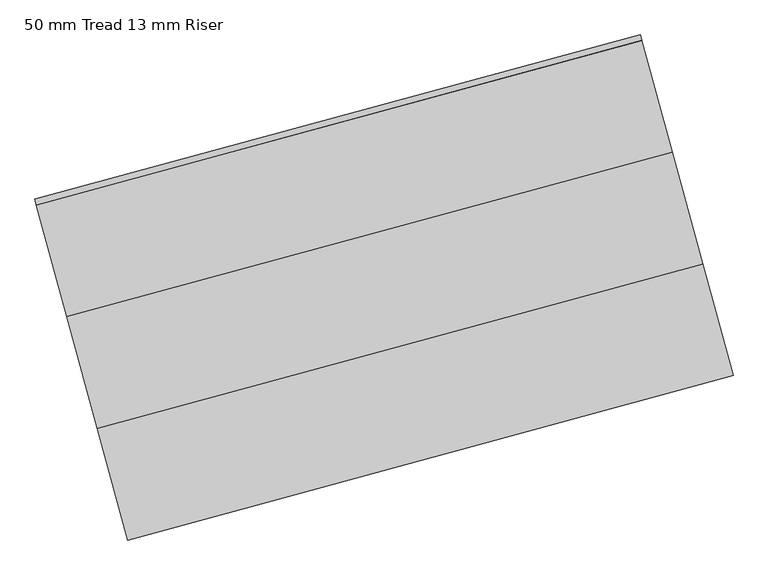
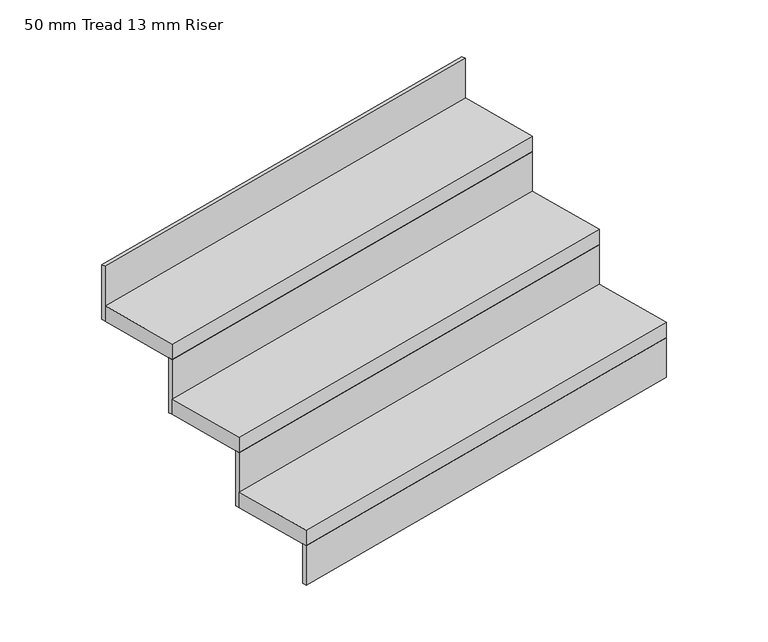
"""IFC4 building model written with IfcOpenShell, lengths in millimetres: stair flight geometry, 50 mm Tread 13 mm Riser."""

from ifc_helpers import new_model, si_unit, frame, origin, origin_with_axes, place, context, project, spatial, polyline, outline, extrude, source, transform, mapped, element, save


def stair_flight_50_mm_tread_13_mm_riser_c301b300(model_context):
    return source(origin(), model_context, "Body", "SweptSolid", [
        extrude(outline(polyline([(265249.7245309, -56427.0263043), (265253.0031414, -56439.0886719), (263946.5587509, -56794.1866403), (263943.2801404, -56782.1242727), (265249.7245309, -56427.0263043)])), origin_with_axes(), (0.0, 0.0, 1.0), 127.7777778),
        extrude(outline(polyline([(263880.9865416, -56552.9392872), (265187.4309321, -56197.8413189), (265253.0031414, -56439.0886719), (263946.5587509, -56794.1866403), (263880.9865416, -56552.9392872)])), frame((0.0, 0.0, 127.7777778), z_axis=(0.0, 0.0, 1.0), x_axis=(1.0, 0.0, 0.0)), (0.0, 0.0, 1.0), 50.0),
        extrude(outline(polyline([(265184.1523216, -56185.7789512), (265187.4309321, -56197.8413189), (263880.9865416, -56552.9392872), (263877.7079312, -56540.8769196), (265184.1523216, -56185.7789512)])), frame((0.0, 0.0, 127.7777778), z_axis=(0.0, 0.0, 1.0), x_axis=(1.0, 0.0, 0.0)), (0.0, 0.0, 1.0), 177.7777778),
        extrude(outline(polyline([(263815.4143324, -56311.6919341), (265121.8587228, -55956.5939658), (265187.4309321, -56197.8413189), (263880.9865416, -56552.9392872), (263815.4143324, -56311.6919341)])), frame((0.0, 0.0, 305.5555556), z_axis=(0.0, 0.0, 1.0), x_axis=(1.0, 0.0, 0.0)), (0.0, 0.0, 1.0), 50.0),
        extrude(outline(polyline([(265118.5801124, -55944.5315981), (265121.8587228, -55956.5939658), (263815.4143324, -56311.6919341), (263812.1357219, -56299.6295665), (265118.5801124, -55944.5315981)])), frame((0.0, 0.0, 305.5555556), z_axis=(0.0, 0.0, 1.0), x_axis=(1.0, 0.0, 0.0)), (0.0, 0.0, 1.0), 177.7777778),
        extrude(outline(polyline([(265053.0079031, -55703.284245), (265056.2865136, -55715.3466127), (263749.8421231, -56070.444581), (263746.5635127, -56058.3822134), (265053.0079031, -55703.284245)])), frame((0.0, 0.0, 483.3333333), z_axis=(0.0, 0.0, 1.0), x_axis=(1.0, 0.0, 0.0)), (0.0, 0.0, 1.0), 177.7777778),
        extrude(outline(polyline([(263749.8421231, -56070.444581), (265056.2865136, -55715.3466127), (265121.8587228, -55956.5939658), (263815.4143324, -56311.6919341), (263749.8421231, -56070.444581)])), frame((0.0, 0.0, 483.3333333), z_axis=(0.0, 0.0, 1.0), x_axis=(1.0, 0.0, 0.0)), (0.0, 0.0, 1.0), 50.0),
    ])


if __name__ == "__main__":
    model = new_model("IFC4")
    model_context = context("Model", 3, world=origin())
    ifc_project = project(units=[si_unit("LENGTHUNIT", "METRE", prefix="MILLI")], contexts=[model_context])
    site = spatial("IfcSite", under=ifc_project)
    building = spatial("IfcBuilding", under=site)
    placement = place(None, origin())
    stair_flight_50_mm_tread_13_mm_riser_shape = stair_flight_50_mm_tread_13_mm_riser_c301b300(model_context)
    element("IfcStairFlight", 1, ObjectType="50 mm Tread 13 mm Riser", at=placement, inside=building, context=model_context, shape_type="MappedRepresentation", body=[
        mapped(stair_flight_50_mm_tread_13_mm_riser_shape, transform((0.0, 0.0, 0.0), x_axis=(1.0, 0.0, 0.0), y_axis=(0.0, 1.0, 0.0), z_axis=(0.0, 0.0, 1.0))),
    ])
    save(model, "model.ifc")
